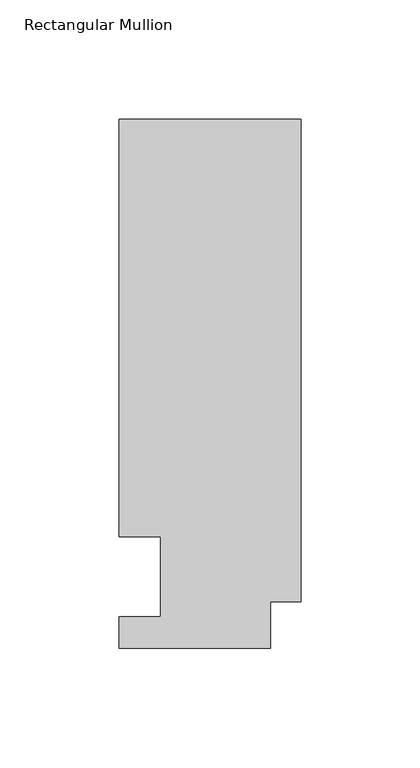
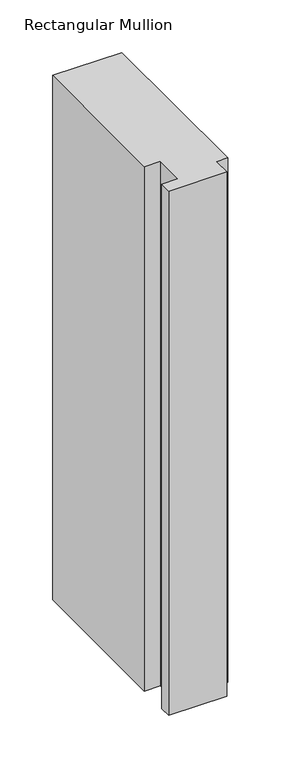
"""IFC4 building model written with IfcOpenShell, lengths in millimetres: member geometry, Rectangular Mullion."""

from ifc_helpers import new_model, si_unit, frame, origin, place, context, project, spatial, polyline, outline, extrude, source, transform, mapped, element, save


def rectangular_mullion_3a857467(model_context):
    return source(origin(), model_context, "Body", "SweptSolid", [
        extrude(outline(polyline([(0.0, 221.7507313), (0.0, 19.5667313), (-12.7, 19.5667313), (-12.7, 0.041758), (-76.2, 0.041758), (-76.2, 13.224358), (-58.7375002, 13.224358), (-58.7375002, 46.7447302), (-76.2000001, 46.7447302), (-76.2000001, 221.7507313), (0.0, 221.7507313)])), frame((0.0, 0.0, -609.6), z_axis=(0.0, 0.0, 1.0), x_axis=(1.0, 0.0, 0.0)), (0.0, 0.0, 1.0), 609.6),
    ])


if __name__ == "__main__":
    model = new_model("IFC4")
    model_context = context("Model", 3, world=origin())
    ifc_project = project(units=[si_unit("LENGTHUNIT", "METRE", prefix="MILLI")], contexts=[model_context])
    site = spatial("IfcSite", under=ifc_project)
    building = spatial("IfcBuilding", under=site)
    placement = place(None, origin())
    rectangular_mullion_shape = rectangular_mullion_3a857467(model_context)
    element("IfcMember", 1, ObjectType="Rectangular Mullion", at=placement, inside=building, context=model_context, shape_type="MappedRepresentation", body=[
        mapped(rectangular_mullion_shape, transform((0.0, 0.0, 0.0), x_axis=(1.0, 0.0, 0.0), y_axis=(0.0, 1.0, 0.0), z_axis=(0.0, 0.0, 1.0))),
    ])
    save(model, "model.ifc")
